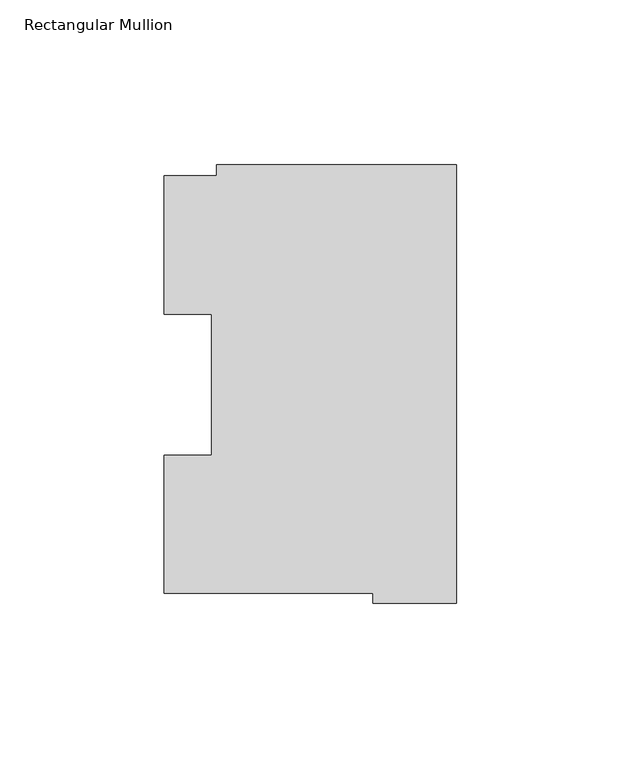
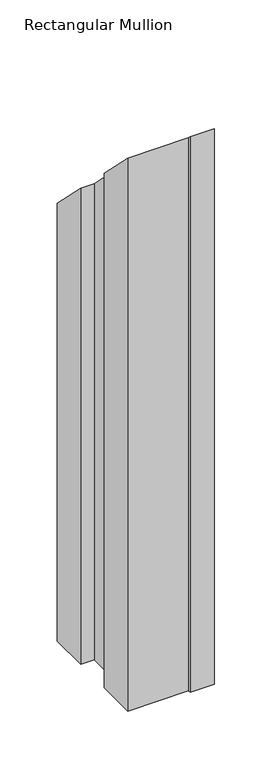
"""IFC4 building model written with IfcOpenShell, lengths in millimetres: member geometry, Rectangular Mullion."""

from ifc_helpers import new_model, si_unit, origin, place, context, project, spatial, faceted_brep, source, transform, mapped, element, save


def rectangular_mullion_79979051(model_context):
    return source(origin(), model_context, "Body", "Brep", [
        faceted_brep([(-88.8772701, 127.006348, -609.6), (-73.025, 127.006348, -609.6), (-73.025, 130.4246837, -609.6), (0.0, 130.4246837, -609.6), (0.0, -2.939538, -609.6), (-25.3772701, -2.939538, -609.6), (-25.3772701, 0.0063465, -609.6), (-88.8772701, 0.0063465, -609.6), (-88.8772701, 42.0814491, -609.6), (-74.4684922, 42.0814491, -609.6), (-74.4684922, 84.93125, -609.6), (-88.8772701, 84.93125, -609.6), (-88.8772701, 84.93125, -84.93125), (-88.8772701, 127.006348, -127.006348), (-74.4684922, 84.93125, -84.93125), (-74.4684922, 42.0814491, -42.0814491), (-88.8772701, 42.0814491, -42.0814491), (-88.8772701, 0.0063465, -0.0063465), (-25.3772701, 0.0063465, -0.0063465), (-25.3772701, -2.939538, 2.939538), (0.0, -2.939538, 2.939538), (0.0, 130.4246837, -130.4246837), (-73.025, 130.4246837, -130.4246837), (-73.025, 127.006348, -127.006348)], [[[0, 1, 2, 3, 4, 5, 6, 7, 8, 9, 10, 11]], [[12, 13, 0, 11]], [[14, 12, 11, 10]], [[15, 14, 10, 9]], [[16, 15, 9, 8]], [[17, 16, 8, 7]], [[18, 17, 7, 6]], [[19, 18, 6, 5]], [[20, 19, 5, 4]], [[21, 20, 4, 3]], [[22, 21, 3, 2]], [[23, 22, 2, 1]], [[13, 23, 1, 0]], [[13, 12, 14, 15, 16, 17, 18, 19, 20, 21, 22, 23]]]),
    ])


if __name__ == "__main__":
    model = new_model("IFC4")
    model_context = context("Model", 3, world=origin())
    ifc_project = project(units=[si_unit("LENGTHUNIT", "METRE", prefix="MILLI")], contexts=[model_context])
    site = spatial("IfcSite", under=ifc_project)
    building = spatial("IfcBuilding", under=site)
    placement = place(None, origin())
    rectangular_mullion_shape = rectangular_mullion_79979051(model_context)
    element("IfcMember", 1, ObjectType="Rectangular Mullion", at=placement, inside=building, context=model_context, shape_type="MappedRepresentation", body=[
        mapped(rectangular_mullion_shape, transform((0.0, 0.0, 0.0), x_axis=(1.0, 0.0, 0.0), y_axis=(0.0, 1.0, 0.0), z_axis=(0.0, 0.0, 1.0))),
    ])
    save(model, "model.ifc")
